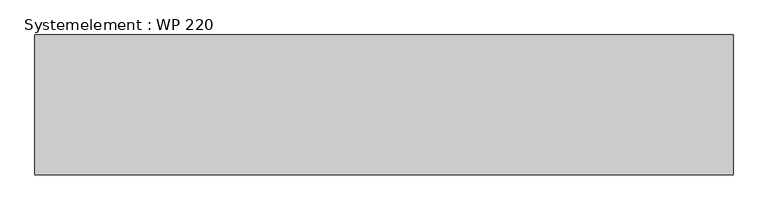
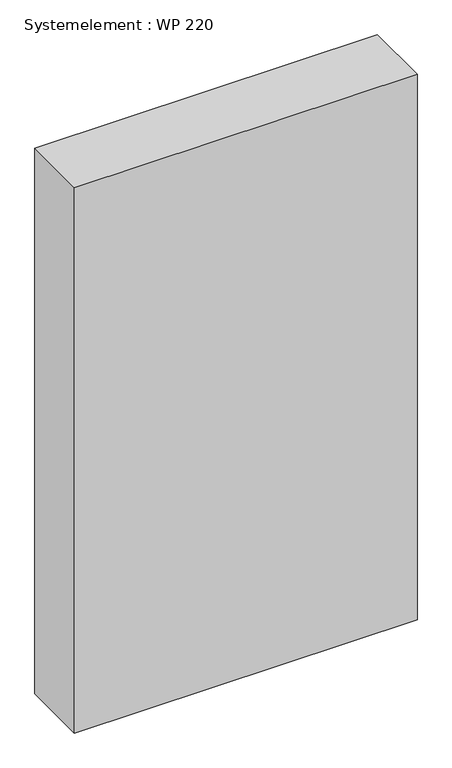
"""IFC4 building model written with IfcOpenShell, lengths in millimetres: plate geometry, Systemelement : WP 220."""

from ifc_helpers import new_model, si_unit, origin, origin_with_axes, place, context, project, spatial, polyline, outline, extrude, source, transform, mapped, element, save


def systemelement_wp_220_6eb6a499(model_context):
    return source(origin(), model_context, "Body", "SweptSolid", [
        extrude(outline(polyline([(550.0, -220.0), (-550.0, -220.0), (-550.0, 0.0), (550.0, 0.0), (550.0, -220.0)])), origin_with_axes(), (0.0, 0.0, 1.0), 1851.6147161),
    ])


if __name__ == "__main__":
    model = new_model("IFC4")
    model_context = context("Model", 3, world=origin())
    ifc_project = project(units=[si_unit("LENGTHUNIT", "METRE", prefix="MILLI")], contexts=[model_context])
    site = spatial("IfcSite", under=ifc_project)
    building = spatial("IfcBuilding", under=site)
    placement = place(None, origin())
    systemelement_wp_220_shape = systemelement_wp_220_6eb6a499(model_context)
    element("IfcPlate", 1, ObjectType="Systemelement : WP 220", at=placement, inside=building, context=model_context, shape_type="MappedRepresentation", body=[
        mapped(systemelement_wp_220_shape, transform((0.0, 0.0, 0.0), x_axis=(1.0, 0.0, 0.0), y_axis=(0.0, 1.0, 0.0), z_axis=(0.0, 0.0, 1.0))),
    ])
    save(model, "model.ifc")
